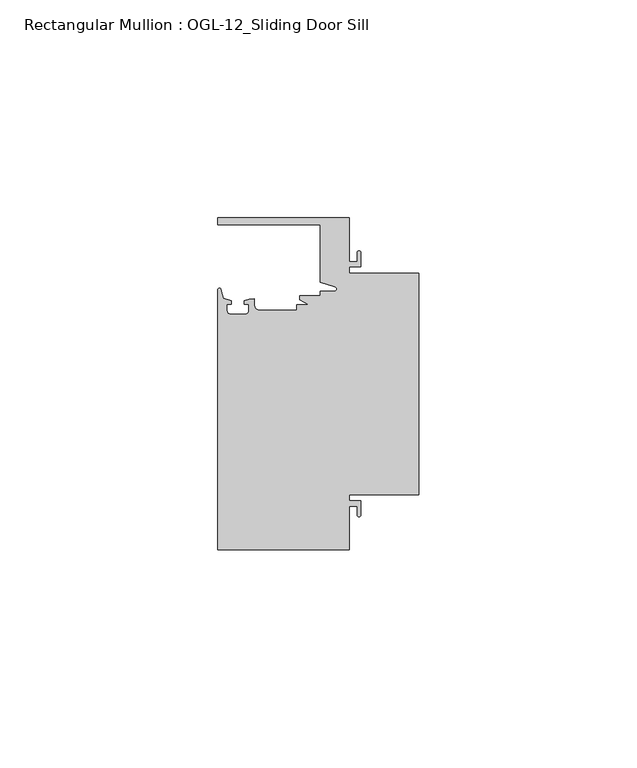
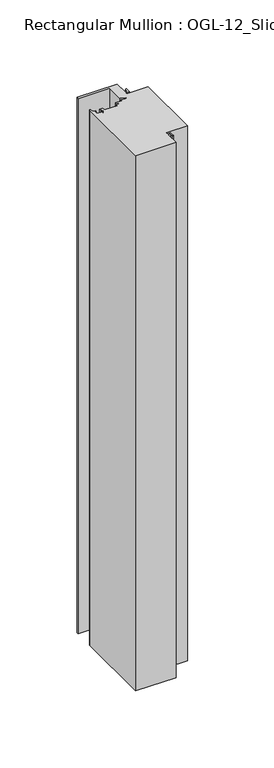
"""IFC4 building model written with IfcOpenShell, lengths in millimetres: member geometry, Rectangular Mullion : OGL-12_Sliding Door Sill."""

from ifc_helpers import new_model, si_unit, point, frame, frame_2d, origin, place, context, project, spatial, polyline, circle_curve, trimmed, segment, composite_curve, outline, extrude, source, transform, mapped, element, save


def rectangular_mullion_ogl_12_sliding_door_sill_94ed0007(model_context):
    return source(origin(), model_context, "Body", "SweptSolid", [
        extrude(outline(composite_curve([segment(polyline([(0.0, 25.4), (0.0, -25.4), (-15.934238, -25.4), (-15.934238, -26.8479425), (-13.2417195, -26.8479425), (-13.2417195, -30.0428503)]), True, "CONTINUOUS"), segment(trimmed(circle_curve(frame_2d((-13.6974747, -30.0428503)), 0.4557552), [point((-13.2417195, -30.0428503))], [point((-14.15323, -30.0428503))], False, "CARTESIAN"), True, "CONTINUOUS"), segment(polyline([(-14.15323, -30.0428503), (-14.15323, -28.0544425), (-15.934238, -28.0544425), (-15.934238, -38.1003208), (-46.0931306, -38.1003208), (-46.0931306, 21.6259141)]), True, "CONTINUOUS"), segment(trimmed(circle_curve(frame_2d((-45.7573546, 21.6259141)), 0.335776), [point((-46.0931306, 21.6259141))], [point((-45.434586, 21.7184665))], False, "CARTESIAN"), True, "CONTINUOUS"), segment(polyline([(-45.434586, 21.7184665), (-44.83413, 19.6244274), (-43.0244711, 19.0364336), (-43.0244711, 18.2246744), (-44.0028338, 18.2246744), (-44.0028338, 16.7746773)]), True, "CONTINUOUS"), segment(trimmed(circle_curve(frame_2d((-43.2028354, 16.7746773)), 0.7999984), [point((-44.0028338, 16.7746773))], [point((-43.2028354, 15.9746789))], True, "CARTESIAN"), True, "CONTINUOUS"), segment(polyline([(-43.2028354, 15.9746789), (-39.8028422, 15.9746789)]), True, "CONTINUOUS"), segment(trimmed(circle_curve(frame_2d((-39.8028422, 16.7746773)), 0.7999984), [point((-39.8028422, 15.9746789))], [point((-39.0028438, 16.7746773))], True, "CARTESIAN"), True, "CONTINUOUS"), segment(polyline([(-39.0028438, 16.7746773), (-39.0028438, 18.2246744), (-39.9812066, 18.2246744), (-39.9812066, 19.0676205), (-38.8813571, 19.4491353), (-37.7528423, 19.4819389), (-37.7528423, 18.2799969)]), True, "CONTINUOUS"), segment(trimmed(circle_curve(frame_2d((-36.3386331, 18.2778896)), 1.4142107), [point((-37.7528423, 18.2799969))], [point((-36.3386331, 16.8636789))], True, "CARTESIAN"), True, "CONTINUOUS"), segment(polyline([(-36.3386331, 16.8636789), (-27.9268052, 16.8636789), (-27.9268052, 18.1505375), (-25.1995125, 18.1505375), (-27.2970068, 19.265795), (-27.2970068, 20.2164975), (-22.6027094, 20.2164975), (-22.6027094, 21.2536528), (-19.3562398, 21.2536528)]), True, "CONTINUOUS"), segment(trimmed(circle_curve(frame_2d((-19.3562398, 21.789076)), 0.5354233), [point((-19.3562398, 21.2536528))], [point((-19.2086572, 22.3037579))], True, "CARTESIAN"), True, "CONTINUOUS"), segment(polyline([(-19.2086572, 22.3037579), (-22.6260049, 23.2836666), (-22.6260049, 36.5121792), (-46.0931306, 36.5121792), (-46.0931306, 38.0996792), (-15.934238, 38.0996792), (-15.934238, 28.0538009), (-14.15323, 28.0538009), (-14.15323, 30.0428503)]), True, "CONTINUOUS"), segment(trimmed(circle_curve(frame_2d((-13.6974747, 30.0428503)), 0.4557552), [point((-14.15323, 30.0428503))], [point((-13.2417195, 30.0428503))], False, "CARTESIAN"), True, "CONTINUOUS"), segment(polyline([(-13.2417195, 30.0428503), (-13.2417195, 26.8473009), (-15.934238, 26.8473009), (-15.934238, 25.4), (0.0, 25.4)]), True, "CONTINUOUS")], self_intersect=False)), frame((0.0, 0.0, -423.8660402), z_axis=(0.0, 0.0, 1.0), x_axis=(1.0, 0.0, 0.0)), (0.0, 0.0, 1.0), 423.8660402),
    ])


if __name__ == "__main__":
    model = new_model("IFC4")
    model_context = context("Model", 3, world=origin())
    ifc_project = project(units=[si_unit("LENGTHUNIT", "METRE", prefix="MILLI")], contexts=[model_context])
    site = spatial("IfcSite", under=ifc_project)
    building = spatial("IfcBuilding", under=site)
    placement = place(None, origin())
    rectangular_mullion_ogl_12_sliding_door_sill_shape = rectangular_mullion_ogl_12_sliding_door_sill_94ed0007(model_context)
    element("IfcMember", 1, ObjectType="Rectangular Mullion : OGL-12_Sliding Door Sill", at=placement, inside=building, context=model_context, shape_type="MappedRepresentation", body=[
        mapped(rectangular_mullion_ogl_12_sliding_door_sill_shape, transform((0.0, 0.0, 0.0), x_axis=(1.0, 0.0, 0.0), y_axis=(0.0, 1.0, 0.0), z_axis=(0.0, 0.0, 1.0))),
    ])
    save(model, "model.ifc")
